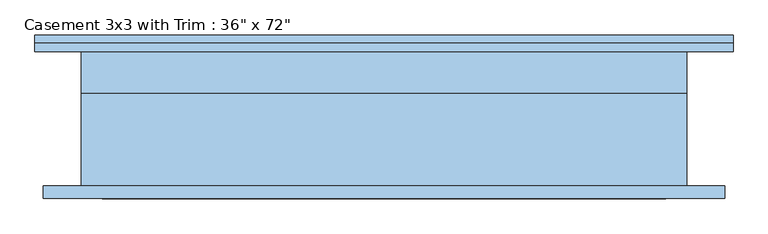
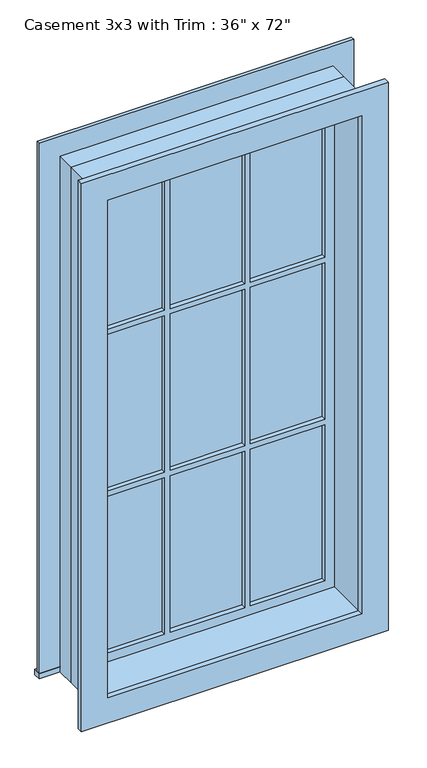
"""IFC4 building model written with IfcOpenShell, lengths in millimetres: window geometry."""

from ifc_helpers import new_model, si_unit, frame, origin, place, context, project, spatial, polyline, outline, extrude, source, transform, mapped, element, save


def window_8b323df3(model_context):
    return source(origin(), model_context, "Body", "SweptSolid", [
        extrude(outline(polyline([(-527.05, 127.0), (527.05, 127.0), (527.05, 101.6), (-527.05, 101.6), (-527.05, 127.0)])), frame((0.0, 0.0, 304.8), z_axis=(0.0, 0.0, 1.0), x_axis=(1.0, 0.0, 0.0)), (0.0, 0.0, 1.0), 19.05),
        extrude(outline(polyline([(2114.55, -438.15), (2114.55, 438.15), (323.85, 438.15), (323.85, 527.05), (2203.45, 527.05), (2203.45, -527.05), (323.85, -527.05), (323.85, -438.15), (2114.55, -438.15)])), frame((0.0, 101.6, 0.0), z_axis=(0.0, 1.0, 0.0), x_axis=(0.0, 0.0, 1.0)), (0.0, 0.0, 1.0), 12.7),
        extrude(outline(polyline([(143.9333333, 66.675), (393.7, 66.675), (393.7, 53.975), (143.9333333, 53.975), (143.9333333, 66.675)])), frame((0.0, 0.0, 1515.5333333), z_axis=(0.0, 0.0, 1.0), x_axis=(1.0, 0.0, 0.0)), (0.0, 0.0, 1.0), 554.5666667),
        extrude(outline(polyline([(-124.8833333, 66.675), (124.8833333, 66.675), (124.8833333, 53.975), (-124.8833333, 53.975), (-124.8833333, 66.675)])), frame((0.0, 0.0, 1515.5333333), z_axis=(0.0, 0.0, 1.0), x_axis=(1.0, 0.0, 0.0)), (0.0, 0.0, 1.0), 554.5666667),
        extrude(outline(polyline([(-393.7, 66.675), (-143.9333333, 66.675), (-143.9333333, 53.975), (-393.7, 53.975), (-393.7, 66.675)])), frame((0.0, 0.0, 1515.5333333), z_axis=(0.0, 0.0, 1.0), x_axis=(1.0, 0.0, 0.0)), (0.0, 0.0, 1.0), 554.5666667),
        extrude(outline(polyline([(-393.7, 66.675), (-143.9333333, 66.675), (-143.9333333, 53.975), (-393.7, 53.975), (-393.7, 66.675)])), frame((0.0, 0.0, 941.9166667), z_axis=(0.0, 0.0, 1.0), x_axis=(1.0, 0.0, 0.0)), (0.0, 0.0, 1.0), 554.5666667),
        extrude(outline(polyline([(-124.8833333, 66.675), (124.8833333, 66.675), (124.8833333, 53.975), (-124.8833333, 53.975), (-124.8833333, 66.675)])), frame((0.0, 0.0, 941.9166667), z_axis=(0.0, 0.0, 1.0), x_axis=(1.0, 0.0, 0.0)), (0.0, 0.0, 1.0), 554.5666667),
        extrude(outline(polyline([(143.9333333, 66.675), (393.7, 66.675), (393.7, 53.975), (143.9333333, 53.975), (143.9333333, 66.675)])), frame((0.0, 0.0, 941.9166667), z_axis=(0.0, 0.0, 1.0), x_axis=(1.0, 0.0, 0.0)), (0.0, 0.0, 1.0), 554.5666667),
        extrude(outline(polyline([(143.9333333, 66.675), (393.7, 66.675), (393.7, 53.975), (143.9333333, 53.975), (143.9333333, 66.675)])), frame((0.0, 0.0, 368.3), z_axis=(0.0, 0.0, 1.0), x_axis=(1.0, 0.0, 0.0)), (0.0, 0.0, 1.0), 554.5666667),
        extrude(outline(polyline([(-124.8833333, 66.675), (124.8833333, 66.675), (124.8833333, 53.975), (-124.8833333, 53.975), (-124.8833333, 66.675)])), frame((0.0, 0.0, 368.3), z_axis=(0.0, 0.0, 1.0), x_axis=(1.0, 0.0, 0.0)), (0.0, 0.0, 1.0), 554.5666667),
        extrude(outline(polyline([(-393.7, 66.675), (-143.9333333, 66.675), (-143.9333333, 53.975), (-393.7, 53.975), (-393.7, 66.675)])), frame((0.0, 0.0, 368.3), z_axis=(0.0, 0.0, 1.0), x_axis=(1.0, 0.0, 0.0)), (0.0, 0.0, 1.0), 554.5666667),
        extrude(outline(polyline([(2190.75, 514.35), (2190.75, -514.35), (247.65, -514.35), (247.65, 514.35), (2190.75, 514.35)]), holes=[polyline([(2101.85, 425.45), (336.55, 425.45), (336.55, -425.45), (2101.85, -425.45), (2101.85, 425.45)])]), frame((0.0, -120.65, 0.0), z_axis=(0.0, 1.0, 0.0), x_axis=(0.0, 0.0, 1.0)), (0.0, 0.0, 1.0), 19.05),
        extrude(outline(polyline([(2114.55, -438.15), (323.85, -438.15), (323.85, 438.15), (2114.55, 438.15), (2114.55, -438.15)]), holes=[polyline([(2070.1, -143.9333333), (1515.5333333, -143.9333333), (1515.5333333, -393.7), (2070.1, -393.7), (2070.1, -143.9333333)]), polyline([(1496.4833333, -143.9333333), (941.9166667, -143.9333333), (941.9166667, -393.7), (1496.4833333, -393.7), (1496.4833333, -143.9333333)]), polyline([(922.8666667, -143.9333333), (368.3, -143.9333333), (368.3, -393.7), (922.8666667, -393.7), (922.8666667, -143.9333333)]), polyline([(2070.1, 124.8833333), (1515.5333333, 124.8833333), (1515.5333333, -124.8833333), (2070.1, -124.8833333), (2070.1, 124.8833333)]), polyline([(1496.4833333, 124.8833333), (941.9166667, 124.8833333), (941.9166667, -124.8833333), (1496.4833333, -124.8833333), (1496.4833333, 124.8833333)]), polyline([(922.8666667, 124.8833333), (368.3, 124.8833333), (368.3, -124.8833333), (922.8666667, -124.8833333), (922.8666667, 124.8833333)]), polyline([(2070.1, 393.7), (1515.5333333, 393.7), (1515.5333333, 143.9333333), (2070.1, 143.9333333), (2070.1, 393.7)]), polyline([(1496.4833333, 393.7), (941.9166667, 393.7), (941.9166667, 143.9333333), (1496.4833333, 143.9333333), (1496.4833333, 393.7)]), polyline([(922.8666667, 393.7), (368.3, 393.7), (368.3, 143.9333333), (922.8666667, 143.9333333), (922.8666667, 393.7)])]), frame((0.0, 38.1, 0.0), z_axis=(0.0, 1.0, 0.0), x_axis=(0.0, 0.0, 1.0)), (0.0, 0.0, 1.0), 44.45),
        extrude(outline(polyline([(2133.6, -457.2), (304.8, -457.2), (304.8, 457.2), (2133.6, 457.2), (2133.6, -457.2)]), holes=[polyline([(2101.85, -425.45), (2101.85, 425.45), (336.55, 425.45), (336.55, -425.45), (2101.85, -425.45)])]), frame((0.0, -101.6, 0.0), z_axis=(0.0, 1.0, 0.0), x_axis=(0.0, 0.0, 1.0)), (0.0, 0.0, 1.0), 139.7),
        extrude(outline(polyline([(2133.6, 457.2), (2133.6, -457.2), (304.8, -457.2), (304.8, 457.2), (2133.6, 457.2)]), holes=[polyline([(2114.55, 438.15), (323.85, 438.15), (323.85, -438.15), (2114.55, -438.15), (2114.55, 438.15)])]), frame((0.0, 38.1, 0.0), z_axis=(0.0, 1.0, 0.0), x_axis=(0.0, 0.0, 1.0)), (0.0, 0.0, 1.0), 63.5),
    ])


if __name__ == "__main__":
    model = new_model("IFC4")
    model_context = context("Model", 3, world=origin())
    ifc_project = project(units=[si_unit("LENGTHUNIT", "METRE", prefix="MILLI")], contexts=[model_context])
    site = spatial("IfcSite", under=ifc_project)
    building = spatial("IfcBuilding", under=site)
    placement = place(None, origin())
    window_shape = window_8b323df3(model_context)
    element("IfcWindow", 1, ObjectType="Casement 3x3 with Trim : 36\" x 72\"", at=placement, inside=building, context=model_context, shape_type="MappedRepresentation", body=[
        mapped(window_shape, transform((0.0, 0.0, 0.0), x_axis=(1.0, 0.0, 0.0), y_axis=(0.0, 1.0, 0.0), z_axis=(0.0, 0.0, 1.0))),
    ])
    save(model, "model.ifc")
